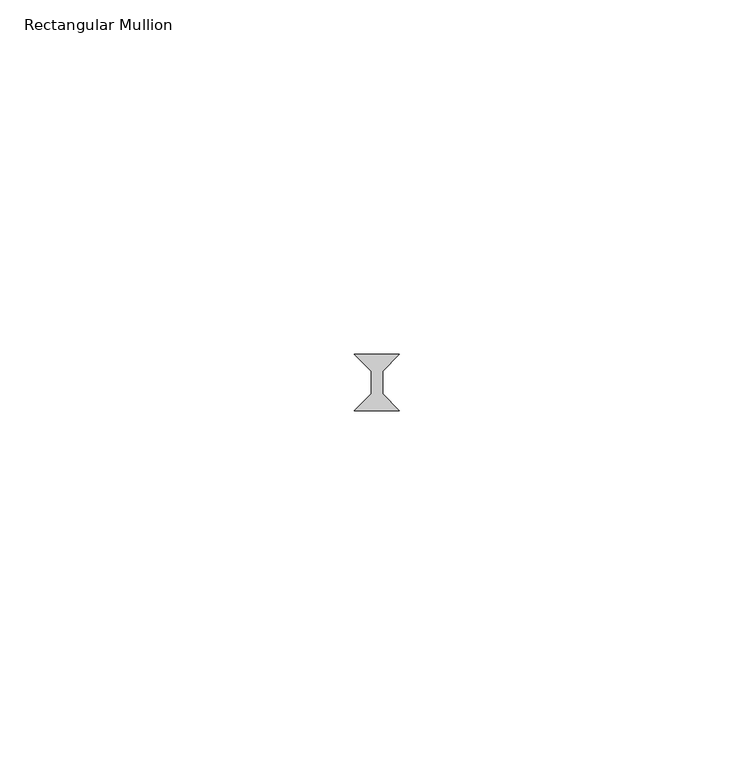
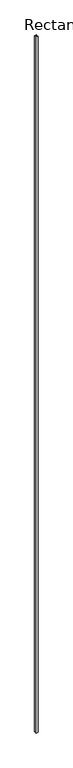
"""IFC4 building model written with IfcOpenShell, lengths in millimetres: member geometry, Rectangular Mullion."""

from ifc_helpers import new_model, si_unit, frame, origin, place, context, project, spatial, polyline, outline, extrude, source, transform, mapped, element, save


def rectangular_mullion_03b58f48(model_context):
    return source(origin(), model_context, "Body", "SweptSolid", [
        extrude(outline(polyline([(3.175, -34.13125), (-3.175, -34.13125), (-0.79375, -31.75), (-0.79375, -28.575), (-3.175, -26.19375), (3.175, -26.19375), (0.79375, -28.575), (0.79375, -31.75), (3.175, -34.13125)])), frame((0.0, 0.0, -2359.025), z_axis=(0.0, 0.0, 1.0), x_axis=(1.0, 0.0, 0.0)), (0.0, 0.0, 1.0), 2359.025),
    ])


if __name__ == "__main__":
    model = new_model("IFC4")
    model_context = context("Model", 3, world=origin())
    ifc_project = project(units=[si_unit("LENGTHUNIT", "METRE", prefix="MILLI")], contexts=[model_context])
    site = spatial("IfcSite", under=ifc_project)
    building = spatial("IfcBuilding", under=site)
    placement = place(None, origin())
    rectangular_mullion_shape = rectangular_mullion_03b58f48(model_context)
    element("IfcMember", 1, ObjectType="Rectangular Mullion", at=placement, inside=building, context=model_context, shape_type="MappedRepresentation", body=[
        mapped(rectangular_mullion_shape, transform((0.0, 0.0, 0.0), x_axis=(1.0, 0.0, 0.0), y_axis=(0.0, 1.0, 0.0), z_axis=(0.0, 0.0, 1.0))),
    ])
    save(model, "model.ifc")
